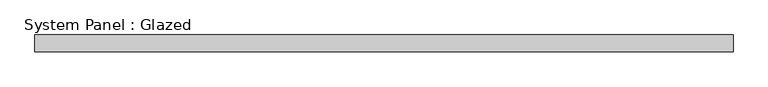
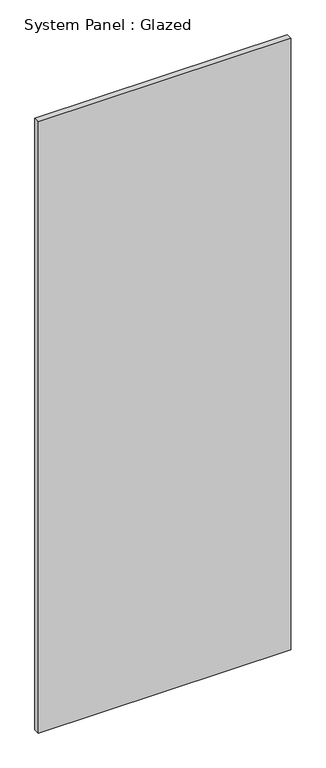
"""IFC4 building model written with IfcOpenShell, lengths in millimetres: plate geometry, System Panel : Glazed."""

from ifc_helpers import new_model, si_unit, origin, origin_with_axes, place, context, project, spatial, polyline, outline, extrude, source, transform, mapped, element, save


def system_panel_glazed_9cb987e4(model_context):
    return source(origin(), model_context, "Body", "SweptSolid", [
        extrude(outline(polyline([(527.375, 19.05), (-527.375, 19.05), (-527.375, 44.45), (527.375, 44.45), (527.375, 19.05)])), origin_with_axes(), (0.0, 0.0, 1.0), 2700.0),
    ])


if __name__ == "__main__":
    model = new_model("IFC4")
    model_context = context("Model", 3, world=origin())
    ifc_project = project(units=[si_unit("LENGTHUNIT", "METRE", prefix="MILLI")], contexts=[model_context])
    site = spatial("IfcSite", under=ifc_project)
    building = spatial("IfcBuilding", under=site)
    placement = place(None, origin())
    system_panel_glazed_shape = system_panel_glazed_9cb987e4(model_context)
    element("IfcPlate", 1, ObjectType="System Panel : Glazed", at=placement, inside=building, context=model_context, shape_type="MappedRepresentation", body=[
        mapped(system_panel_glazed_shape, transform((0.0, 0.0, 0.0), x_axis=(1.0, 0.0, 0.0), y_axis=(0.0, 1.0, 0.0), z_axis=(0.0, 0.0, 1.0))),
    ])
    save(model, "model.ifc")
